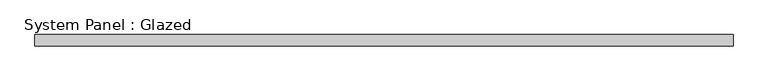
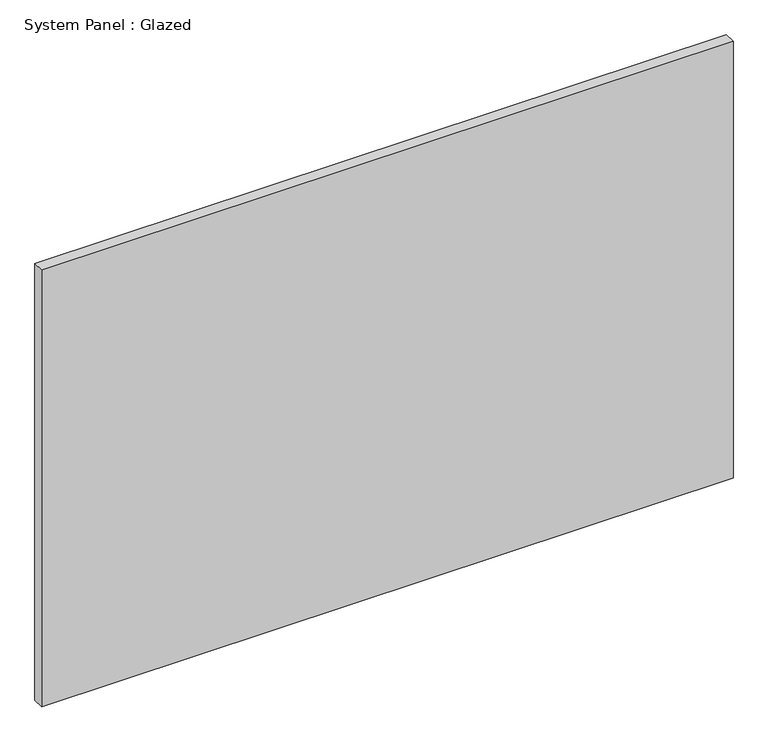
"""IFC4 building model written with IfcOpenShell, lengths in millimetres: plate geometry, System Panel : Glazed."""

from ifc_helpers import new_model, si_unit, origin, origin_with_axes, place, context, project, spatial, polyline, outline, extrude, source, transform, mapped, element, save


def system_panel_glazed_dced661d(model_context):
    return source(origin(), model_context, "Body", "SweptSolid", [
        extrude(outline(polyline([(756.7501169, 24.5), (-756.7501169, 24.5), (-756.7501169, 49.5), (756.7501169, 49.5), (756.7501169, 24.5)])), origin_with_axes(), (0.0, 0.0, 1.0), 1010.85),
    ])


if __name__ == "__main__":
    model = new_model("IFC4")
    model_context = context("Model", 3, world=origin())
    ifc_project = project(units=[si_unit("LENGTHUNIT", "METRE", prefix="MILLI")], contexts=[model_context])
    site = spatial("IfcSite", under=ifc_project)
    building = spatial("IfcBuilding", under=site)
    placement = place(None, origin())
    system_panel_glazed_shape = system_panel_glazed_dced661d(model_context)
    element("IfcPlate", 1, ObjectType="System Panel : Glazed", at=placement, inside=building, context=model_context, shape_type="MappedRepresentation", body=[
        mapped(system_panel_glazed_shape, transform((0.0, 0.0, 0.0), x_axis=(1.0, 0.0, 0.0), y_axis=(0.0, 1.0, 0.0), z_axis=(0.0, 0.0, 1.0))),
    ])
    save(model, "model.ifc")
